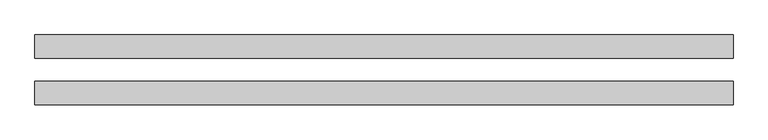
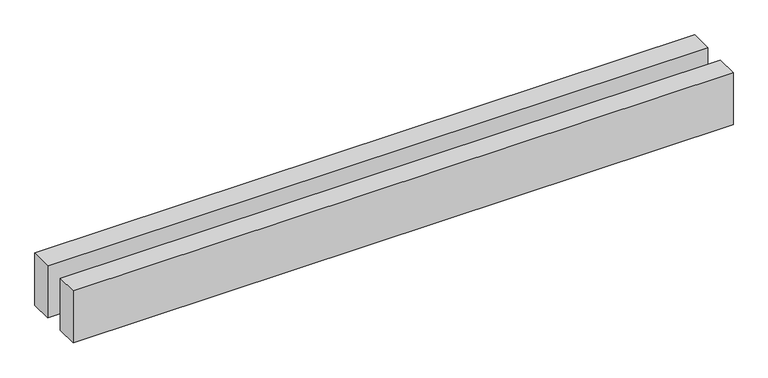
"""IFC4 building model written with IfcOpenShell, lengths in millimetres: proxy geometry."""

from ifc_helpers import new_model, si_unit, origin, origin_with_axes, place, context, project, spatial, polyline, outline, extrude, source, transform, mapped, element, save


def generic_models_0ee42b4f(model_context):
    return source(origin(), model_context, "Body", "SweptSolid", [
        extrude(outline(polyline([(6000.0, 300.0), (6000.0, 100.0), (0.0, 100.0), (0.0, 300.0), (6000.0, 300.0)])), origin_with_axes(), (0.0, 0.0, 1.0), 500.0),
        extrude(outline(polyline([(6000.0, -100.0), (6000.0, -300.0), (0.0, -300.0), (0.0, -100.0), (6000.0, -100.0)])), origin_with_axes(), (0.0, 0.0, 1.0), 500.0),
    ])


if __name__ == "__main__":
    model = new_model("IFC4")
    model_context = context("Model", 3, world=origin())
    ifc_project = project(units=[si_unit("LENGTHUNIT", "METRE", prefix="MILLI")], contexts=[model_context])
    site = spatial("IfcSite", under=ifc_project)
    building = spatial("IfcBuilding", under=site)
    placement = place(None, origin())
    generic_models_shape = generic_models_0ee42b4f(model_context)
    element("IfcBuildingElementProxy", 1, Name="Generic Models", at=placement, inside=building, context=model_context, shape_type="MappedRepresentation", body=[
        mapped(generic_models_shape, transform((0.0, 0.0, 0.0), x_axis=(1.0, 0.0, 0.0), y_axis=(0.0, 1.0, 0.0), z_axis=(0.0, 0.0, 1.0))),
    ])
    save(model, "model.ifc")
